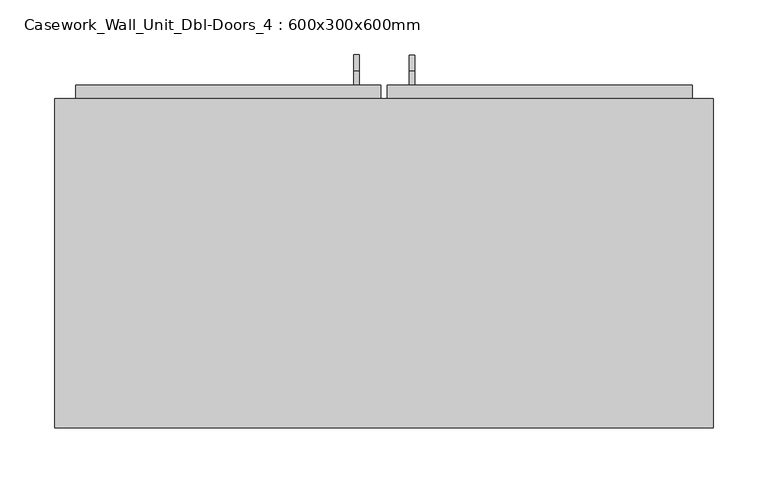
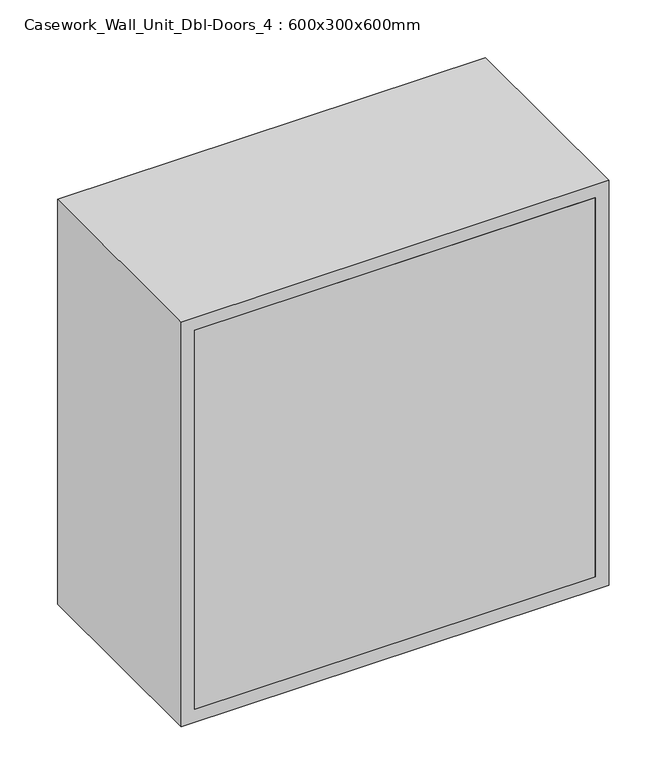
"""IFC4 building model written with IfcOpenShell, lengths in millimetres: furniture geometry, Casework_Wall_Unit_Dbl-Doors_4 : 600x300x600mm."""

from ifc_helpers import new_model, si_unit, frame, origin, place, context, project, spatial, polyline, circle_curve, outline, extrude, faceted_brep, source, transform, mapped, element, save
from ifc_brep_helpers import plane_surface, cylinder_surface, revolved_surface, advanced_brep


def casework_wall_unit_dbl_doors_4_600x300x600mm_c2dece5d(model_context):
    return source(origin(), model_context, "Body", "SolidModel", [
        faceted_brep([(32.9461628, 382.7, 1980.95), (310.7211628, 382.7, 1980.95), (310.7211628, 382.7, 1419.05), (32.9461628, 382.7, 1419.05), (261.0474684, 382.7, 1488.300002), (261.0474684, 382.7, 1943.300002), (231.0474684, 382.7, 1943.300002), (231.0474684, 382.7, 1488.300002), (82.6198572, 382.7, 1488.300002), (112.6198572, 382.7, 1488.300002), (112.6198572, 382.7, 1943.300002), (82.6198572, 382.7, 1943.300002), (264.009303, 382.7, 1446.142329), (264.009303, 382.7, 1451.142329), (79.009303, 382.7, 1451.142329), (79.009303, 382.7, 1446.142329), (32.9461628, 350.95, 1980.95), (32.9461628, 350.95, 1419.05), (310.7211628, 350.95, 1419.05), (310.7211628, 350.95, 1980.95), (261.0474684, 350.95, 1488.300002), (231.0474684, 350.95, 1488.300002), (231.0474684, 350.95, 1943.300002), (261.0474684, 350.95, 1943.300002), (82.6198572, 350.95, 1488.300002), (82.6198572, 350.95, 1943.300002), (112.6198572, 350.95, 1943.300002), (112.6198572, 350.95, 1488.300002), (264.009303, 379.7, 1446.142329), (79.009303, 379.7, 1446.142329), (79.009303, 379.7, 1451.142329), (264.009303, 379.7, 1451.142329)], [[[0, 1, 2, 3], [4, 5, 6, 7], [8, 9, 10, 11], [12, 13, 14, 15]], [[16, 17, 18, 19], [20, 21, 22, 23], [24, 25, 26, 27]], [[1, 0, 16, 19]], [[2, 1, 19, 18]], [[3, 2, 18, 17]], [[0, 3, 17, 16]], [[5, 4, 20, 23]], [[6, 5, 23, 22]], [[7, 6, 22, 21]], [[4, 7, 21, 20]], [[9, 8, 24, 27]], [[10, 9, 27, 26]], [[11, 10, 26, 25]], [[8, 11, 25, 24]], [[28, 29, 30, 31]], [[28, 31, 13, 12]], [[31, 30, 14, 13]], [[30, 29, 15, 14]], [[29, 28, 12, 15]]]),
        faceted_brep([(26.5961628, 382.7, 1980.95), (26.5961628, 382.7, 1419.05), (-251.1788372, 382.7, 1419.05), (-251.1788372, 382.7, 1980.95), (-201.5051428, 382.7, 1488.300002), (-171.5051428, 382.7, 1488.300002), (-171.5051428, 382.7, 1943.300002), (-201.5051428, 382.7, 1943.300002), (-23.0775316, 382.7, 1488.300002), (-23.0775316, 382.7, 1943.300002), (-53.0775316, 382.7, 1943.300002), (-53.0775316, 382.7, 1488.300002), (-204.4669774, 382.7, 1451.142329), (-204.4669774, 382.7, 1446.142329), (-19.4669774, 382.7, 1446.142329), (-19.4669774, 382.7, 1451.142329), (26.5961628, 350.95, 1980.95), (-251.1788372, 350.95, 1980.95), (-251.1788372, 350.95, 1419.05), (26.5961628, 350.95, 1419.05), (-201.5051428, 350.95, 1488.300002), (-201.5051428, 350.95, 1943.300002), (-171.5051428, 350.95, 1943.300002), (-171.5051428, 350.95, 1488.300002), (-23.0775316, 350.95, 1488.300002), (-53.0775316, 350.95, 1488.300002), (-53.0775316, 350.95, 1943.300002), (-23.0775316, 350.95, 1943.300002), (-204.4669774, 379.7, 1446.142329), (-204.4669774, 379.7, 1451.142329), (-19.4669774, 379.7, 1451.142329), (-19.4669774, 379.7, 1446.142329)], [[[0, 1, 2, 3], [4, 5, 6, 7], [8, 9, 10, 11], [12, 13, 14, 15]], [[16, 17, 18, 19], [20, 21, 22, 23], [24, 25, 26, 27]], [[1, 0, 16, 19]], [[2, 1, 19, 18]], [[3, 2, 18, 17]], [[0, 3, 17, 16]], [[5, 4, 20, 23]], [[6, 5, 23, 22]], [[7, 6, 22, 21]], [[4, 7, 21, 20]], [[9, 8, 24, 27]], [[10, 9, 27, 26]], [[11, 10, 26, 25]], [[8, 11, 25, 24]], [[28, 29, 30, 31]], [[29, 28, 13, 12]], [[30, 29, 12, 15]], [[31, 30, 15, 14]], [[28, 31, 14, 13]]]),
        extrude(outline(polyline([(310.7211628, 70.0), (-251.1788372, 70.0), (-251.1788372, 89.05), (310.7211628, 89.05), (310.7211628, 70.0)])), frame((0.0, 0.0, 1419.05), z_axis=(0.0, 0.0, 1.0), x_axis=(1.0, 0.0, 0.0)), (0.0, 0.0, 1.0), 561.9),
        extrude(outline(polyline([(2000.0, -270.2288372), (1400.0, -270.2288372), (1400.0, 329.7711628), (2000.0, 329.7711628), (2000.0, -270.2288372)]), holes=[polyline([(1980.95, -251.1788372), (1980.95, 310.7211628), (1419.05, 310.7211628), (1419.05, -251.1788372), (1980.95, -251.1788372)])]), frame((0.0, 70.0, 0.0), z_axis=(0.0, 1.0, 0.0), x_axis=(0.0, 0.0, 1.0)), (0.0, 0.0, 1.0), 300.0),
        extrude(outline(polyline([(-201.5051428, 375.0), (-171.5051428, 375.0), (-171.5051428, 370.0), (-201.5051428, 370.0), (-201.5051428, 375.0)])), frame((0.0, 0.0, 1488.300002), z_axis=(0.0, 0.0, 1.0), x_axis=(1.0, 0.0, 0.0)), (0.0, 0.0, 1.0), 455.0),
        extrude(outline(polyline([(-53.0775316, 375.0), (-23.0775316, 375.0), (-23.0775316, 370.0), (-53.0775316, 370.0), (-53.0775316, 375.0)])), frame((0.0, 0.0, 1488.300002), z_axis=(0.0, 0.0, 1.0), x_axis=(1.0, 0.0, 0.0)), (0.0, 0.0, 1.0), 455.0),
        extrude(outline(polyline([(82.6198572, 375.0), (112.6198572, 375.0), (112.6198572, 370.0), (82.6198572, 370.0), (82.6198572, 375.0)])), frame((0.0, 0.0, 1488.300002), z_axis=(0.0, 0.0, 1.0), x_axis=(1.0, 0.0, 0.0)), (0.0, 0.0, 1.0), 455.0),
        extrude(outline(polyline([(231.0474684, 375.0), (261.0474684, 375.0), (261.0474684, 370.0), (231.0474684, 370.0), (231.0474684, 375.0)])), frame((0.0, 0.0, 1488.300002), z_axis=(0.0, 0.0, 1.0), x_axis=(1.0, 0.0, 0.0)), (0.0, 0.0, 1.0), 455.0),
        advanced_brep(
        [(52.6003194, 409.6555456, 1950.600002), (57.6003194, 409.6555456, 1950.600002), (57.6003194, 409.6555456, 1463.5), (52.6003194, 409.6555456, 1463.5), (57.6003194, 404.6555456, 1950.600002), (57.6003194, 404.6555456, 1463.5), (52.6003194, 395.4, 1449.2444544), (57.6003194, 395.4, 1449.2444544), (52.6003194, 404.6555456, 1950.600002), (52.6003194, 404.6555456, 1463.5), (52.6003194, 395.4, 1454.2444544), (57.6003194, 395.4, 1454.2444544), (57.6003194, 382.7, 1449.2444544), (52.6003194, 382.7, 1449.2444544), (52.6003194, 382.7, 1454.2444544), (57.6003194, 382.7, 1454.2444544), (57.6003194, 382.7, 1964.8555476), (52.6003194, 382.7, 1964.8555476), (52.6003194, 382.7, 1959.8555476), (57.6003194, 382.7, 1959.8555476), (57.6003194, 395.4, 1964.8555476), (52.6003194, 395.4, 1964.8555476), (52.6003194, 395.4, 1959.8555476), (57.6003194, 395.4, 1959.8555476)],
        [
            (0, 1),
            (1, 2),
            (2, 3),
            (3, 0),
            (1, 4),
            (4, 5),
            (5, 2),
            (6, 3, circle_curve(frame((52.6003194, 395.4, 1463.5), z_axis=(1.0, 0.0, 0.0), x_axis=(0.0, 1.0, 0.0)), 14.2555456)),
            (2, 7, circle_curve(frame((57.6003194, 395.4, 1463.5), z_axis=(-1.0, 0.0, 0.0), x_axis=(0.0, 1.0, 0.0)), 14.2555456)),
            (7, 6),
            (8, 0),
            (3, 9),
            (9, 8),
            (10, 9, circle_curve(frame((52.6003194, 395.4, 1463.5), z_axis=(1.0, 0.0, 0.0), x_axis=(0.0, 1.0, 0.0)), 9.2555456)),
            (6, 10),
            (4, 8),
            (9, 5),
            (11, 5, circle_curve(frame((57.6003194, 395.4, 1463.5), z_axis=(1.0, 0.0, 0.0), x_axis=(0.0, 1.0, 0.0)), 9.2555456)),
            (10, 11),
            (11, 7),
            (7, 12),
            (12, 13),
            (13, 6),
            (13, 14),
            (14, 10),
            (14, 15),
            (15, 11),
            (15, 12),
            (16, 17),
            (17, 18),
            (18, 19),
            (19, 16),
            (16, 20),
            (20, 21),
            (21, 17),
            (21, 22),
            (22, 18),
            (22, 23),
            (23, 19),
            (23, 20),
            (0, 21, circle_curve(frame((52.6003194, 395.4, 1950.600002), z_axis=(1.0, 0.0, 0.0), x_axis=(0.0, 0.0, 1.0)), 14.2555456)),
            (20, 1, circle_curve(frame((57.6003194, 395.4, 1950.600002), z_axis=(-1.0, 0.0, 0.0), x_axis=(0.0, 0.0, 1.0)), 14.2555456)),
            (8, 22, circle_curve(frame((52.6003194, 395.4, 1950.600002), z_axis=(1.0, 0.0, 0.0), x_axis=(0.0, 0.0, 1.0)), 9.2555456)),
            (4, 23, circle_curve(frame((57.6003194, 395.4, 1950.600002), z_axis=(1.0, 0.0, 0.0), x_axis=(0.0, 0.0, 1.0)), 9.2555456)),
        ],
        [
            plane_surface(frame((57.6003194, 409.6555456, 1950.600002), z_axis=(0.0, 1.0, 0.0), x_axis=(0.0, 0.0, -1.0))),
            plane_surface(frame((57.6003194, 404.6555456, 1950.600002), z_axis=(1.0, 0.0, 0.0), x_axis=(0.0, 0.0, -1.0))),
            cylinder_surface(frame((55.1711628, 395.4, 1463.5), z_axis=(-1.0, 0.0, 0.0), x_axis=(0.0, 1.0, 0.0)), 14.2555456),
            plane_surface(frame((52.6003194, 409.6555456, 1950.600002), z_axis=(-1.0, 0.0, 0.0), x_axis=(0.0, 0.0, -1.0))),
            plane_surface(frame((52.6003194, 395.4, 1463.5), z_axis=(-1.0, 0.0, 0.0), x_axis=(0.0, 1.0, 0.0))),
            plane_surface(frame((52.6003194, 404.6555456, 1950.600002), z_axis=(0.0, -1.0, 0.0), x_axis=(0.0, 0.0, -1.0))),
            revolved_surface(polyline([(52.6003194, 404.6555456, 1463.5), (57.6003194, 404.6555456, 1463.5)]), (55.1711628, 395.4, 1463.5), (-1.0, 0.0, 0.0)),
            plane_surface(frame((57.6003194, 395.4, 1463.5), z_axis=(1.0, 0.0, 0.0), x_axis=(0.0, 1.0, 0.0))),
            plane_surface(frame((57.6003194, 395.4, 1449.2444544), z_axis=(0.0, 0.0, -1.0), x_axis=(0.0, -1.0, 0.0))),
            plane_surface(frame((52.6003194, 395.4, 1449.2444544), z_axis=(-1.0, 0.0, 0.0), x_axis=(0.0, -1.0, 0.0))),
            plane_surface(frame((52.6003194, 395.4, 1454.2444544), z_axis=(0.0, 0.0, 1.0), x_axis=(0.0, -1.0, 0.0))),
            plane_surface(frame((57.6003194, 395.4, 1454.2444544), z_axis=(1.0, 0.0, 0.0), x_axis=(0.0, -1.0, 0.0))),
            plane_surface(frame((50.8730816, 382.7, 1450.8), z_axis=(0.0, -1.0, 0.0), x_axis=(0.0, 0.0, -1.0))),
            plane_surface(frame((50.8730816, 382.7, 1963.300002), z_axis=(0.0, -1.0, 0.0), x_axis=(0.0, 0.0, 1.0))),
            plane_surface(frame((57.6003194, 382.7, 1964.8555476), z_axis=(0.0, 0.0, 1.0), x_axis=(0.0, 1.0, 0.0))),
            plane_surface(frame((52.6003194, 382.7, 1964.8555476), z_axis=(-1.0, 0.0, 0.0), x_axis=(0.0, 1.0, 0.0))),
            plane_surface(frame((52.6003194, 382.7, 1959.8555476), z_axis=(0.0, 0.0, -1.0), x_axis=(0.0, 1.0, 0.0))),
            plane_surface(frame((57.6003194, 382.7, 1959.8555476), z_axis=(1.0, 0.0, 0.0), x_axis=(0.0, 1.0, 0.0))),
            cylinder_surface(frame((55.1711628, 395.4, 1950.600002), z_axis=(-1.0, 0.0, 0.0), x_axis=(0.0, 0.0, 1.0)), 14.2555456),
            plane_surface(frame((52.6003194, 395.4, 1950.600002), z_axis=(-1.0, 0.0, 0.0), x_axis=(0.0, 0.0, 1.0))),
            revolved_surface(polyline([(52.6003194, 395.4, 1959.8555476), (57.6003194, 395.4, 1959.8555476)]), (55.1711628, 395.4, 1950.600002), (-1.0, 0.0, 0.0)),
            plane_surface(frame((57.6003194, 395.4, 1950.600002), z_axis=(1.0, 0.0, 0.0), x_axis=(0.0, 0.0, 1.0))),
        ],
        [
            (0, [[1, 2, 3, 4]]),
            (1, [[5, 6, 7, -2]]),
            (2, [[8, -3, 9, 10]]),
            (3, [[11, -4, 12, 13]]),
            (4, [[14, -12, -8, 15]]),
            (5, [[16, -13, 17, -6]]),
            (6, [[18, -17, -14, 19]]),
            (7, [[-9, -7, -18, 20]]),
            (8, [[-10, 21, 22, 23]]),
            (9, [[-15, -23, 24, 25]]),
            (10, [[-19, -25, 26, 27]]),
            (11, [[-20, -27, 28, -21]]),
            (12, [[-28, -26, -24, -22]]),
            (13, [[29, 30, 31, 32]]),
            (14, [[-29, 33, 34, 35]]),
            (15, [[-30, -35, 36, 37]]),
            (16, [[-31, -37, 38, 39]]),
            (17, [[-32, -39, 40, -33]]),
            (18, [[41, -34, 42, -1]]),
            (19, [[43, -36, -41, -11]]),
            (20, [[44, -38, -43, -16]]),
            (21, [[-42, -40, -44, -5]]),
        ],
    ),
        advanced_brep(
        [(2.0886631, 410.1975666, 1949.2339612), (7.0886631, 410.1975666, 1949.2339612), (7.0886631, 410.1975666, 1463.5), (2.0886631, 410.1975666, 1463.5), (7.0886631, 405.1975666, 1949.2339612), (7.0886631, 405.1975666, 1463.5), (2.0886631, 395.4, 1448.7024334), (7.0886631, 395.4, 1448.7024334), (2.0886631, 405.1975666, 1949.2339612), (2.0886631, 405.1975666, 1463.5), (2.0886631, 395.4, 1453.7024334), (7.0886631, 395.4, 1453.7024334), (7.0886631, 382.7, 1448.7024334), (2.0886631, 382.7, 1448.7024334), (2.0886631, 382.7, 1453.7024334), (7.0886631, 382.7, 1453.7024334), (7.0886631, 382.7, 1964.0315278), (2.0886631, 382.7, 1964.0315278), (2.0886631, 382.7, 1959.0315278), (7.0886631, 382.7, 1959.0315278), (7.0886631, 395.4, 1964.0315278), (2.0886631, 395.4, 1964.0315278), (2.0886631, 395.4, 1959.0315278), (7.0886631, 395.4, 1959.0315278)],
        [
            (0, 1),
            (1, 2),
            (2, 3),
            (3, 0),
            (1, 4),
            (4, 5),
            (5, 2),
            (6, 3, circle_curve(frame((2.0886631, 395.4, 1463.5), z_axis=(1.0, 0.0, 0.0), x_axis=(0.0, 1.0, 0.0)), 14.7975666)),
            (2, 7, circle_curve(frame((7.0886631, 395.4, 1463.5), z_axis=(-1.0, 0.0, 0.0), x_axis=(0.0, 1.0, 0.0)), 14.7975666)),
            (7, 6),
            (8, 0),
            (3, 9),
            (9, 8),
            (10, 9, circle_curve(frame((2.0886631, 395.4, 1463.5), z_axis=(1.0, 0.0, 0.0), x_axis=(0.0, 1.0, 0.0)), 9.7975666)),
            (6, 10),
            (4, 8),
            (9, 5),
            (11, 5, circle_curve(frame((7.0886631, 395.4, 1463.5), z_axis=(1.0, 0.0, 0.0), x_axis=(0.0, 1.0, 0.0)), 9.7975666)),
            (10, 11),
            (11, 7),
            (7, 12),
            (12, 13),
            (13, 6),
            (13, 14),
            (14, 10),
            (14, 15),
            (15, 11),
            (15, 12),
            (16, 17),
            (17, 18),
            (18, 19),
            (19, 16),
            (16, 20),
            (20, 21),
            (21, 17),
            (21, 22),
            (22, 18),
            (22, 23),
            (23, 19),
            (23, 20),
            (0, 21, circle_curve(frame((2.0886631, 395.4, 1949.2339612), z_axis=(1.0, 0.0, 0.0), x_axis=(0.0, 0.0, 1.0)), 14.7975666)),
            (20, 1, circle_curve(frame((7.0886631, 395.4, 1949.2339612), z_axis=(-1.0, 0.0, 0.0), x_axis=(0.0, 0.0, 1.0)), 14.7975666)),
            (8, 22, circle_curve(frame((2.0886631, 395.4, 1949.2339612), z_axis=(1.0, 0.0, 0.0), x_axis=(0.0, 0.0, 1.0)), 9.7975666)),
            (4, 23, circle_curve(frame((7.0886631, 395.4, 1949.2339612), z_axis=(1.0, 0.0, 0.0), x_axis=(0.0, 0.0, 1.0)), 9.7975666)),
        ],
        [
            plane_surface(frame((7.0886631, 410.1975666, 1949.2339612), z_axis=(0.0, 1.0, 0.0), x_axis=(0.0, 0.0, -1.0))),
            plane_surface(frame((7.0886631, 405.1975666, 1949.2339612), z_axis=(1.0, 0.0, 0.0), x_axis=(0.0, 0.0, -1.0))),
            cylinder_surface(frame((4.3711628, 395.4, 1463.5), z_axis=(-1.0, 0.0, 0.0), x_axis=(0.0, 1.0, 0.0)), 14.7975666),
            plane_surface(frame((2.0886631, 410.1975666, 1949.2339612), z_axis=(-1.0, 0.0, 0.0), x_axis=(0.0, 0.0, -1.0))),
            plane_surface(frame((2.0886631, 395.4, 1463.5), z_axis=(-1.0, 0.0, 0.0), x_axis=(0.0, 1.0, 0.0))),
            plane_surface(frame((2.0886631, 405.1975666, 1949.2339612), z_axis=(0.0, -1.0, 0.0), x_axis=(0.0, 0.0, -1.0))),
            revolved_surface(polyline([(2.0886631, 405.19756659999996, 1463.5), (7.0886631, 405.19756659999996, 1463.5)]), (4.3711628, 395.4, 1463.5), (-1.0, 0.0, 0.0)),
            plane_surface(frame((7.0886631, 395.4, 1463.5), z_axis=(1.0, 0.0, 0.0), x_axis=(0.0, 1.0, 0.0))),
            plane_surface(frame((7.0886631, 395.4, 1448.7024334), z_axis=(0.0, 0.0, -1.0), x_axis=(0.0, -1.0, 0.0))),
            plane_surface(frame((2.0886631, 395.4, 1448.7024334), z_axis=(-1.0, 0.0, 0.0), x_axis=(0.0, -1.0, 0.0))),
            plane_surface(frame((2.0886631, 395.4, 1453.7024334), z_axis=(0.0, 0.0, 1.0), x_axis=(0.0, -1.0, 0.0))),
            plane_surface(frame((7.0886631, 395.4, 1453.7024334), z_axis=(1.0, 0.0, 0.0), x_axis=(0.0, -1.0, 0.0))),
            plane_surface(frame((0.3951185, 382.7, 1450.8), z_axis=(0.0, -1.0, 0.0), x_axis=(0.0, 0.0, -1.0))),
            plane_surface(frame((0.3951185, 382.7, 1961.9339612), z_axis=(0.0, -1.0, 0.0), x_axis=(0.0, 0.0, 1.0))),
            plane_surface(frame((7.0886631, 382.7, 1964.0315278), z_axis=(0.0, 0.0, 1.0), x_axis=(0.0, 1.0, 0.0))),
            plane_surface(frame((2.0886631, 382.7, 1964.0315278), z_axis=(-1.0, 0.0, 0.0), x_axis=(0.0, 1.0, 0.0))),
            plane_surface(frame((2.0886631, 382.7, 1959.0315278), z_axis=(0.0, 0.0, -1.0), x_axis=(0.0, 1.0, 0.0))),
            plane_surface(frame((7.0886631, 382.7, 1959.0315278), z_axis=(1.0, 0.0, 0.0), x_axis=(0.0, 1.0, 0.0))),
            cylinder_surface(frame((4.3711628, 395.4, 1949.2339612), z_axis=(-1.0, 0.0, 0.0), x_axis=(0.0, 0.0, 1.0)), 14.7975666),
            plane_surface(frame((2.0886631, 395.4, 1949.2339612), z_axis=(-1.0, 0.0, 0.0), x_axis=(0.0, 0.0, 1.0))),
            revolved_surface(polyline([(2.0886631, 395.4, 1959.0315278), (7.0886631, 395.4, 1959.0315278)]), (4.3711628, 395.4, 1949.2339612), (-1.0, 0.0, 0.0)),
            plane_surface(frame((7.0886631, 395.4, 1949.2339612), z_axis=(1.0, 0.0, 0.0), x_axis=(0.0, 0.0, 1.0))),
        ],
        [
            (0, [[1, 2, 3, 4]]),
            (1, [[5, 6, 7, -2]]),
            (2, [[8, -3, 9, 10]]),
            (3, [[11, -4, 12, 13]]),
            (4, [[14, -12, -8, 15]]),
            (5, [[16, -13, 17, -6]]),
            (6, [[18, -17, -14, 19]]),
            (7, [[-9, -7, -18, 20]]),
            (8, [[-10, 21, 22, 23]]),
            (9, [[-15, -23, 24, 25]]),
            (10, [[-19, -25, 26, 27]]),
            (11, [[-20, -27, 28, -21]]),
            (12, [[-28, -26, -24, -22]]),
            (13, [[29, 30, 31, 32]]),
            (14, [[-29, 33, 34, 35]]),
            (15, [[-30, -35, 36, 37]]),
            (16, [[-31, -37, 38, 39]]),
            (17, [[-32, -39, 40, -33]]),
            (18, [[41, -34, 42, -1]]),
            (19, [[43, -36, -41, -11]]),
            (20, [[44, -38, -43, -16]]),
            (21, [[-42, -40, -44, -5]]),
        ],
    ),
    ])


if __name__ == "__main__":
    model = new_model("IFC4")
    model_context = context("Model", 3, world=origin())
    ifc_project = project(units=[si_unit("LENGTHUNIT", "METRE", prefix="MILLI")], contexts=[model_context])
    site = spatial("IfcSite", under=ifc_project)
    building = spatial("IfcBuilding", under=site)
    placement = place(None, origin())
    casework_wall_unit_dbl_doors_4_600x300x600mm_shape = casework_wall_unit_dbl_doors_4_600x300x600mm_c2dece5d(model_context)
    element("IfcFurniture", 1, ObjectType="Casework_Wall_Unit_Dbl-Doors_4 : 600x300x600mm", at=placement, inside=building, context=model_context, shape_type="MappedRepresentation", body=[
        mapped(casework_wall_unit_dbl_doors_4_600x300x600mm_shape, transform((0.0, 0.0, 0.0), x_axis=(1.0, 0.0, 0.0), y_axis=(0.0, 1.0, 0.0), z_axis=(0.0, 0.0, 1.0))),
    ])
    save(model, "model.ifc")
